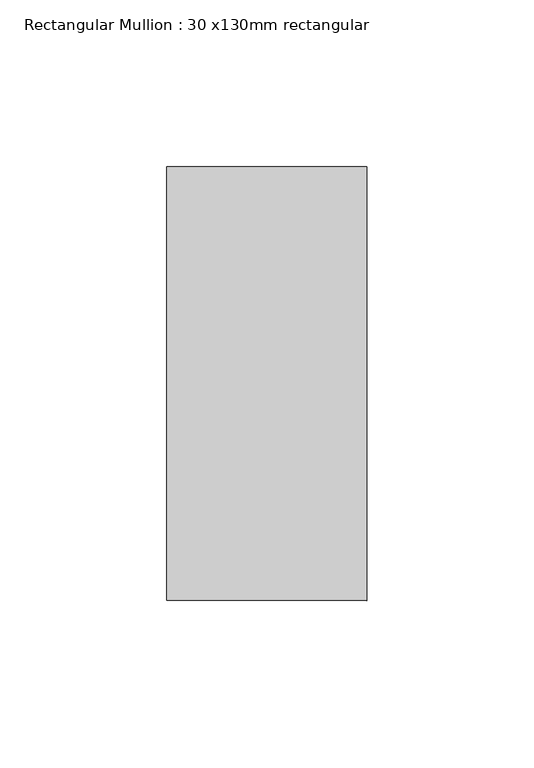
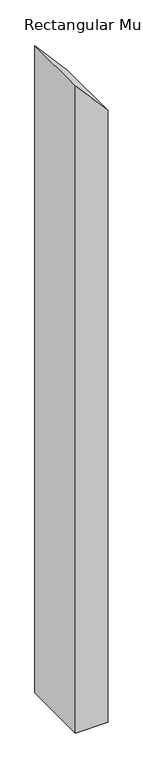
"""IFC4 building model written with IfcOpenShell, lengths in millimetres: member geometry, Rectangular Mullion : 30 x130mm rectangular."""

from ifc_helpers import new_model, si_unit, frame, origin, place, context, project, spatial, polyline, outline, extrude, source, transform, mapped, element, save


def rectangular_mullion_30_x130mm_rectangular_10e2b583(model_context):
    return source(origin(), model_context, "Body", "SweptSolid", [
        extrude(outline(polyline([(-126.2925301, 30.0), (-57.0104977, -30.0), (-1326.6221412, -30.0), (-1326.6221412, 30.0), (-126.2925301, 30.0)])), frame((0.0, -65.0, 0.0), z_axis=(0.0, 1.0, 0.0), x_axis=(0.0, 0.0, 1.0)), (0.0, 0.0, 1.0), 130.0),
    ])


if __name__ == "__main__":
    model = new_model("IFC4")
    model_context = context("Model", 3, world=origin())
    ifc_project = project(units=[si_unit("LENGTHUNIT", "METRE", prefix="MILLI")], contexts=[model_context])
    site = spatial("IfcSite", under=ifc_project)
    building = spatial("IfcBuilding", under=site)
    placement = place(None, origin())
    rectangular_mullion_30_x130mm_rectangular_shape = rectangular_mullion_30_x130mm_rectangular_10e2b583(model_context)
    element("IfcMember", 1, ObjectType="Rectangular Mullion : 30 x130mm rectangular", at=placement, inside=building, context=model_context, shape_type="MappedRepresentation", body=[
        mapped(rectangular_mullion_30_x130mm_rectangular_shape, transform((0.0, 0.0, 0.0), x_axis=(1.0, 0.0, 0.0), y_axis=(0.0, 1.0, 0.0), z_axis=(0.0, 0.0, 1.0))),
    ])
    save(model, "model.ifc")
